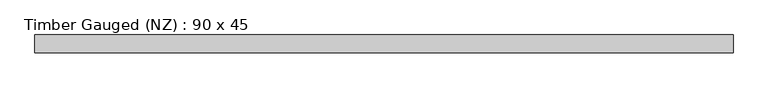
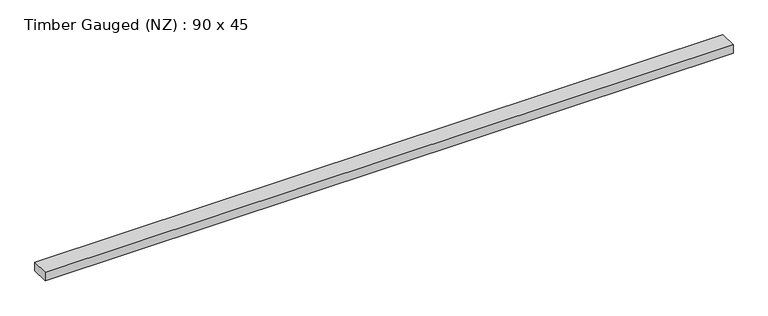
"""IFC4 building model written with IfcOpenShell, lengths in millimetres: beam geometry, Timber Gauged (NZ) : 90 x 45."""

from ifc_helpers import new_model, si_unit, frame, origin, place, context, project, spatial, polyline, outline, extrude, source, transform, mapped, element, save


def timber_gauged_nz_90_x_45_dd1617d6(model_context):
    return source(origin(), model_context, "Body", "SweptSolid", [
        extrude(outline(polyline([(1786.3626645, 45.0), (1786.3626645, -45.0), (-1742.2973994, -45.0), (-1742.2973994, 45.0), (1786.3626645, 45.0)])), frame((0.0, 0.0, -22.5), z_axis=(0.0, 0.0, 1.0), x_axis=(1.0, 0.0, 0.0)), (0.0, 0.0, 1.0), 45.0),
    ])


if __name__ == "__main__":
    model = new_model("IFC4")
    model_context = context("Model", 3, world=origin())
    ifc_project = project(units=[si_unit("LENGTHUNIT", "METRE", prefix="MILLI")], contexts=[model_context])
    site = spatial("IfcSite", under=ifc_project)
    building = spatial("IfcBuilding", under=site)
    placement = place(None, origin())
    timber_gauged_nz_90_x_45_shape = timber_gauged_nz_90_x_45_dd1617d6(model_context)
    element("IfcBeam", 1, ObjectType="Timber Gauged (NZ) : 90 x 45", at=placement, inside=building, context=model_context, shape_type="MappedRepresentation", body=[
        mapped(timber_gauged_nz_90_x_45_shape, transform((0.0, 0.0, 0.0), x_axis=(1.0, 0.0, 0.0), y_axis=(0.0, 1.0, 0.0), z_axis=(0.0, 0.0, 1.0))),
    ])
    save(model, "model.ifc")
